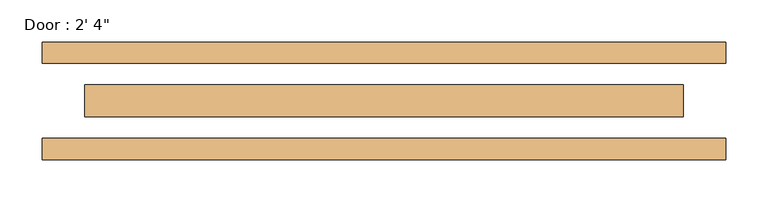
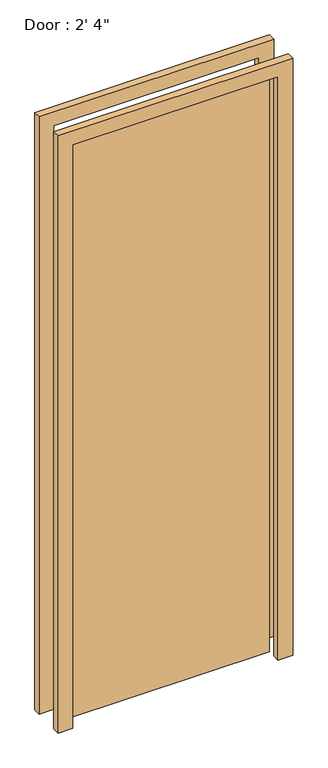
"""IFC4 building model written with IfcOpenShell, lengths in millimetres: door geometry."""

from ifc_helpers import new_model, si_unit, frame, origin, origin_with_axes, place, context, project, spatial, polyline, outline, extrude, source, transform, mapped, element, save


def door_193a324e(model_context):
    return source(origin(), model_context, "Body", "SweptSolid", [
        extrude(outline(polyline([(-355.6, -19.05), (-355.6, 19.05), (355.6, 19.05), (355.6, -19.05), (-355.6, -19.05)])), origin_with_axes(), (0.0, 0.0, 1.0), 2133.6),
        extrude(outline(polyline([(2133.6, -355.6), (2133.6, 355.6), (0.0, 355.6), (0.0, 406.4), (2184.4, 406.4), (2184.4, -406.4), (0.0, -406.4), (0.0, -355.6), (2133.6, -355.6)])), frame((0.0, 44.45, 0.0), z_axis=(0.0, 1.0, 0.0), x_axis=(0.0, 0.0, 1.0)), (0.0, 0.0, 1.0), 25.4),
        extrude(outline(polyline([(2133.6, -355.6), (2133.6, 355.6), (0.0, 355.6), (0.0, 406.4), (2184.4, 406.4), (2184.4, -406.4), (0.0, -406.4), (0.0, -355.6), (2133.6, -355.6)])), frame((0.0, -69.85, 0.0), z_axis=(0.0, 1.0, 0.0), x_axis=(0.0, 0.0, 1.0)), (0.0, 0.0, 1.0), 25.4),
    ])


if __name__ == "__main__":
    model = new_model("IFC4")
    model_context = context("Model", 3, world=origin())
    ifc_project = project(units=[si_unit("LENGTHUNIT", "METRE", prefix="MILLI")], contexts=[model_context])
    site = spatial("IfcSite", under=ifc_project)
    building = spatial("IfcBuilding", under=site)
    placement = place(None, origin())
    door_shape = door_193a324e(model_context)
    element("IfcDoor", 1, ObjectType="Door : 2' 4\"", at=placement, inside=building, context=model_context, shape_type="MappedRepresentation", body=[
        mapped(door_shape, transform((0.0, 0.0, 0.0), x_axis=(1.0, 0.0, 0.0), y_axis=(0.0, 1.0, 0.0), z_axis=(0.0, 0.0, 1.0))),
    ])
    save(model, "model.ifc")
